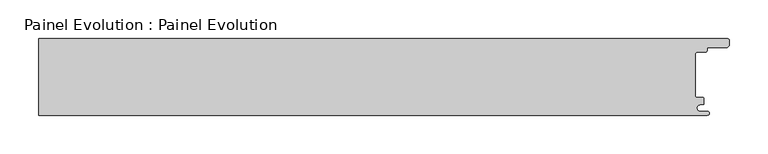
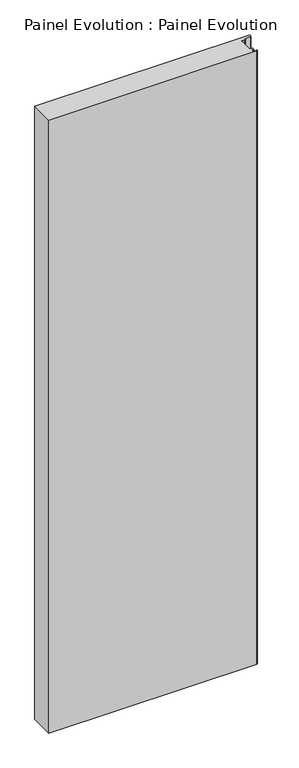
"""IFC4 building model written with IfcOpenShell, lengths in millimetres: proxy geometry, Painel Evolution : Painel Evolution."""

import ifcopenshell
import ifcopenshell.guid

model = None  # the IFC model being written
_history = None  # IfcOwnerHistory: only IFC2X3 demands one
_inside = {}  # id of a spatial element -> (the spatial element, [elements in it])
_under = {}  # id of a project, library or spatial element -> (it, [spatial elements below it])
_declared = {}  # id of a project -> (the project, [libraries it declares])
_typed = {}  # id of a type object -> (the type object, [elements of that type])
_made_of = {}  # id of a material, layer set ... -> (it, [elements and type objects made of it])


def new_model(schema):
    """Start an empty IFC model of exactly this schema.

    Asked for "IFC4X3", IfcOpenShell would pick the latest addendum, in which some entities
    have other attributes; the version numbers below select the first issue.
    IFC2X3 requires an IfcOwnerHistory on every rooted entity: one is made here for all.
    """
    global model, _history
    if schema == "IFC4X3":
        model = ifcopenshell.file(schema_version=(4, 3, 0, 0))
    else:
        model = ifcopenshell.file(schema=schema)
    _inside.clear()
    _under.clear()
    _declared.clear()
    _typed.clear()
    _made_of.clear()
    _history = None
    if model.schema == "IFC2X3":
        org = make("IfcOrganization", Name="unknown")
        user = make(
            "IfcPersonAndOrganization",
            ThePerson=make("IfcPerson", FamilyName="unknown"),
            TheOrganization=org,
        )
        app = make(
            "IfcApplication",
            ApplicationDeveloper=org,
            Version="unknown",
            ApplicationFullName="unknown",
            ApplicationIdentifier="unknown",
        )
        _history = make(
            "IfcOwnerHistory",
            OwningUser=user,
            OwningApplication=app,
            ChangeAction="ADDED",
            CreationDate=0,
        )
    return model


def make(cls, **values):
    """One entity of the class cls with the attributes given. An attribute that is None is left unset."""
    return model.create_entity(
        cls, **{name: value for name, value in values.items() if value is not None}
    )


def rooted(cls, **values):
    """An entity with a GlobalId (a new one), such as an element, a storey or a relation."""
    return make(cls, GlobalId=ifcopenshell.guid.new(), OwnerHistory=_history, **values)


def si_unit(unit_type, name, prefix=None):
    """IfcSIUnit, for example si_unit("LENGTHUNIT", "METRE", prefix="MILLI")."""
    return make("IfcSIUnit", UnitType=unit_type, Prefix=prefix, Name=name)


def assignment(units):
    """IfcUnitAssignment: the units of a project."""
    return None if units is None else make("IfcUnitAssignment", Units=units)


def point(xyz):
    """IfcCartesianPoint."""
    return None if xyz is None else make("IfcCartesianPoint", Coordinates=xyz)


def direction(xyz):
    """IfcDirection."""
    return None if xyz is None else make("IfcDirection", DirectionRatios=xyz)


def frame(location, z_axis=None, x_axis=None):
    """IfcAxis2Placement3D, a coordinate frame: its origin and axes. An axis left out is left unset."""
    return make(
        "IfcAxis2Placement3D",
        Location=point(location),
        Axis=direction(z_axis),
        RefDirection=direction(x_axis),
    )


def frame_2d(location, x_axis=None):
    """IfcAxis2Placement2D, a coordinate frame in the plane: its origin and x axis."""
    return make(
        "IfcAxis2Placement2D", Location=point(location), RefDirection=direction(x_axis)
    )


def origin():
    """The frame at (0, 0, 0) with its axes left unset."""
    return frame((0.0, 0.0, 0.0))


def origin_with_axes():
    """The frame at (0, 0, 0) with the z axis (0, 0, 1) and the x axis (1, 0, 0) written out."""
    return frame((0.0, 0.0, 0.0), z_axis=(0.0, 0.0, 1.0), x_axis=(1.0, 0.0, 0.0))


def place(relative_to, where):
    """IfcLocalPlacement: puts the frame where relative to a parent placement (None: the world)."""
    return make(
        "IfcLocalPlacement", PlacementRelTo=relative_to, RelativePlacement=where
    )


def context(
    kind, dimensions, precision=None, world=None, true_north=None, identifier=None
):
    """IfcGeometricRepresentationContext, for example the 3D "Model" context."""
    return make(
        "IfcGeometricRepresentationContext",
        ContextIdentifier=identifier,
        ContextType=kind,
        CoordinateSpaceDimension=dimensions,
        Precision=precision,
        WorldCoordinateSystem=world,
        TrueNorth=true_north,
    )


def project(units=None, contexts=None):
    """IfcProject with its units and contexts."""
    return rooted(
        "IfcProject",
        Name="project",
        RepresentationContexts=contexts,
        UnitsInContext=assignment(units),
    )


def spatial(cls, under=None, at=None, **own):
    """A site, building, storey or space (cls), placed at a placement, below another one or the project."""
    s = rooted(cls, ObjectPlacement=at, **own)
    if under is not None:
        _under.setdefault(under.id(), (under, []))[1].append(s)
    return s


def polyline(points):
    """IfcPolyline through the points."""
    return make("IfcPolyline", Points=[point(p) for p in points])


def circle_curve(where, radius):
    """IfcCircle in the frame where."""
    return make("IfcCircle", Position=where, Radius=radius)


def trimmed(basis, trim1, trim2, sense, master):
    """IfcTrimmedCurve: the piece of a basis curve between two trims."""
    return make(
        "IfcTrimmedCurve",
        BasisCurve=basis,
        Trim1=trim1,
        Trim2=trim2,
        SenseAgreement=sense,
        MasterRepresentation=master,
    )


def segment(curve, same_sense, transition):
    """IfcCompositeCurveSegment."""
    return make(
        "IfcCompositeCurveSegment",
        Transition=transition,
        SameSense=same_sense,
        ParentCurve=curve,
    )


def composite_curve(segments, self_intersect=None):
    """IfcCompositeCurve: segments joined end to end."""
    return make("IfcCompositeCurve", Segments=segments, SelfIntersect=self_intersect)


def outline(outer, holes=None, kind="AREA"):
    """IfcArbitraryClosedProfileDef: a profile drawn as a closed curve; with holes, ...WithVoids."""
    if holes is None:
        return make("IfcArbitraryClosedProfileDef", ProfileType=kind, OuterCurve=outer)
    return make(
        "IfcArbitraryProfileDefWithVoids",
        ProfileType=kind,
        OuterCurve=outer,
        InnerCurves=holes,
    )


def extrude(swept, where, along, depth):
    """IfcExtrudedAreaSolid: the profile swept, set in the frame where, extruded along a direction by depth."""
    return make(
        "IfcExtrudedAreaSolid",
        SweptArea=swept,
        Position=where,
        ExtrudedDirection=direction(along),
        Depth=depth,
    )


def shape(context_of_items, identifier, shape_type, items):
    """IfcShapeRepresentation: the items that make up one representation, for example the "Body"."""
    return make(
        "IfcShapeRepresentation",
        ContextOfItems=context_of_items,
        RepresentationIdentifier=identifier,
        RepresentationType=shape_type,
        Items=items,
    )


def source(mapping_origin, context_of_items, identifier, shape_type, items):
    """IfcRepresentationMap: a shape defined once, which mapped items show again and again."""
    return make(
        "IfcRepresentationMap",
        MappingOrigin=mapping_origin,
        MappedRepresentation=shape(context_of_items, identifier, shape_type, items),
    )


def transform(
    local_origin,
    x_axis=None,
    y_axis=None,
    z_axis=None,
    scale=None,
    scale2=None,
    scale3=None,
    uniform=True,
):
    """IfcCartesianTransformationOperator3D, or its non-uniform kind. x_axis, y_axis, z_axis: its Axis1, 2, 3."""
    if uniform:
        return make(
            "IfcCartesianTransformationOperator3D",
            Axis1=direction(x_axis),
            Axis2=direction(y_axis),
            LocalOrigin=point(local_origin),
            Scale=scale,
            Axis3=direction(z_axis),
        )
    return make(
        "IfcCartesianTransformationOperator3DnonUniform",
        Axis1=direction(x_axis),
        Axis2=direction(y_axis),
        LocalOrigin=point(local_origin),
        Scale=scale,
        Axis3=direction(z_axis),
        Scale2=scale2,
        Scale3=scale3,
    )


def mapped(mapping_source, mapping_target):
    """IfcMappedItem: shows the shape of a source again, moved by a transform."""
    return make(
        "IfcMappedItem", MappingSource=mapping_source, MappingTarget=mapping_target
    )


def made_of(thing, what):
    """Note that an element or type object is made of a material, layer set ...; save() writes the relation."""
    if what is not None:
        _made_of.setdefault(what.id(), (what, []))[1].append(thing)
    return thing


def element(
    cls,
    number,
    at=None,
    inside=None,
    cuts=None,
    type_object=None,
    material=None,
    context=None,
    identifier="Body",
    shape_type=None,
    held_by="IfcProductDefinitionShape",
    body=None,
    shapes=None,
    **own,
):
    """One element of the class cls, such as IfcWall. Its Tag is "e" and its number.

    at: its placement. inside: the storey or other place that contains it. cuts: it is an
    opening in that element (IfcRelVoidsElement). A single representation is given by context,
    identifier, shape_type and body (its items); several are given by shapes. held_by: the class
    of the entity that holds the representations. save() writes the other relations.
    """
    e = rooted(cls, Tag="e%d" % number, ObjectPlacement=at, **own)
    if body is not None:
        shapes = [shape(context, identifier, shape_type, body)]
    if shapes is not None:
        e.Representation = make(held_by, Representations=shapes)
    if inside is not None:
        _inside.setdefault(inside.id(), (inside, []))[1].append(e)
    if cuts is not None:
        rooted(
            "IfcRelVoidsElement", RelatingBuildingElement=cuts, RelatedOpeningElement=e
        )
    if type_object is not None:
        _typed.setdefault(type_object.id(), (type_object, []))[1].append(e)
    return made_of(e, material)


def aggregate(whole, parts):
    """IfcRelAggregates: a whole, such as a stair, and the parts it consists of."""
    return rooted("IfcRelAggregates", RelatingObject=whole, RelatedObjects=parts)


def save(model, path):
    """Write the relations noted so far, then the file.

    IfcRelAggregates (storeys below a building ...), IfcRelContainedInSpatialStructure (elements
    in a storey), IfcRelDefinesByType, IfcRelAssociatesMaterial and IfcRelDeclares: one each for
    every whole, place, type object, material and project.
    """
    for whole, parts in _under.values():
        aggregate(whole, parts)
    for where, things in _inside.values():
        rooted(
            "IfcRelContainedInSpatialStructure",
            RelatedElements=things,
            RelatingStructure=where,
        )
    for kind, things in _typed.values():
        rooted("IfcRelDefinesByType", RelatedObjects=things, RelatingType=kind)
    for what, things in _made_of.values():
        rooted("IfcRelAssociatesMaterial", RelatedObjects=things, RelatingMaterial=what)
    for by, libraries in _declared.values():
        rooted("IfcRelDeclares", RelatingContext=by, RelatedDefinitions=libraries)
    model.write(path)


def painel_evolution_painel_evolution_e5936b3c(model_context):
    return source(origin(), model_context, "Body", "SweptSolid", [
        extrude(outline(composite_curve([segment(polyline([(511.5911111, -36.2981958), (508.1893843, -36.2981958)]), True, "CONTINUOUS"), segment(trimmed(circle_curve(frame_2d((508.1893843, -40.6490979)), 4.3509021), [point((508.1893843, -36.2981958))], [point((508.1893843, -45.0))], True, "CARTESIAN"), True, "CONTINUOUS"), segment(polyline([(508.1893843, -45.0), (517.4609375, -45.0)]), True, "CONTINUOUS"), segment(trimmed(circle_curve(frame_2d((517.4609375, -47.5)), 2.5), [point((517.4609375, -45.0))], [point((517.4609375, -50.0))], False, "CARTESIAN"), True, "CONTINUOUS"), segment(polyline([(517.4609375, -50.0), (-351.0873963, -50.0), (-351.0873963, 50.0), (542.6236695, 50.0)]), True, "CONTINUOUS"), segment(trimmed(circle_curve(frame_2d((542.5514013, 46.4373369)), 3.563396), [point((542.6236695, 50.0))], [point((546.1021208, 46.1370337))], False, "CARTESIAN"), True, "CONTINUOUS"), segment(polyline([(546.1021208, 46.1370337), (545.6606899, 41.0940152)]), True, "CONTINUOUS"), segment(trimmed(circle_curve(frame_2d((542.0114544, 41.7048175)), 3.6999999), [point((545.6606899, 41.0940152))], [point((542.0114544, 38.0048176))], False, "CARTESIAN"), True, "CONTINUOUS"), segment(polyline([(542.0114544, 38.0048176), (518.620698, 38.0048176)]), True, "CONTINUOUS"), segment(trimmed(circle_curve(frame_2d((518.620698, 36.4048176)), 1.6), [point((518.620698, 38.0048176))], [point((517.020698, 36.4048176))], True, "CARTESIAN"), True, "CONTINUOUS"), segment(polyline([(517.020698, 36.4048176), (517.020698, 34.4048179)]), True, "CONTINUOUS"), segment(trimmed(circle_curve(frame_2d((514.620698, 34.4048179)), 2.4), [point((517.020698, 34.4048179))], [point((514.620698, 32.0048179))], False, "CARTESIAN"), True, "CONTINUOUS"), segment(polyline([(514.620698, 32.0048179), (503.9512072, 32.0048179)]), True, "CONTINUOUS"), segment(trimmed(circle_curve(frame_2d((503.9512072, 29.6548179)), 2.3499999), [point((503.9512072, 32.0048179))], [point((501.6012073, 29.6548179))], True, "CARTESIAN"), True, "CONTINUOUS"), segment(polyline([(501.6012073, 29.6548179), (501.6012073, -24.7482365)]), True, "CONTINUOUS"), segment(trimmed(circle_curve(frame_2d((503.9512072, -24.7482365)), 2.3499999), [point((501.6012073, -24.7482365))], [point((503.9512072, -27.0982364))], True, "CARTESIAN"), True, "CONTINUOUS"), segment(polyline([(503.9512072, -27.0982364), (511.8673147, -27.0982364)]), True, "CONTINUOUS"), segment(trimmed(circle_curve(frame_2d((511.8673147, -28.1436506)), 1.0454142), [point((511.8673147, -27.0982364))], [point((512.912729, -28.1436506))], False, "CARTESIAN"), True, "CONTINUOUS"), segment(polyline([(512.912729, -28.1436506), (512.912729, -34.7642596)]), True, "CONTINUOUS"), segment(trimmed(circle_curve(frame_2d((511.313274, -34.7225035)), 1.5999999), [point((512.912729, -34.7642596))], [point((511.5911111, -36.2981958))], False, "CARTESIAN"), True, "CONTINUOUS")], self_intersect=False)), origin_with_axes(), (0.0, 0.0, 1.0), 2700.0),
    ])


if __name__ == "__main__":
    model = new_model("IFC4")
    model_context = context("Model", 3, world=origin())
    ifc_project = project(units=[si_unit("LENGTHUNIT", "METRE", prefix="MILLI")], contexts=[model_context])
    site = spatial("IfcSite", under=ifc_project)
    building = spatial("IfcBuilding", under=site)
    placement = place(None, origin())
    painel_evolution_painel_evolution_shape = painel_evolution_painel_evolution_e5936b3c(model_context)
    element("IfcBuildingElementProxy", 1, Name="Painel Evolution : Painel Evolution", ObjectType="Painel Evolution : Painel Evolution", at=placement, inside=building, context=model_context, shape_type="MappedRepresentation", body=[
        mapped(painel_evolution_painel_evolution_shape, transform((0.0, 0.0, 0.0), x_axis=(1.0, 0.0, 0.0), y_axis=(0.0, 1.0, 0.0), z_axis=(0.0, 0.0, 1.0))),
    ])
    save(model, "model.ifc")
